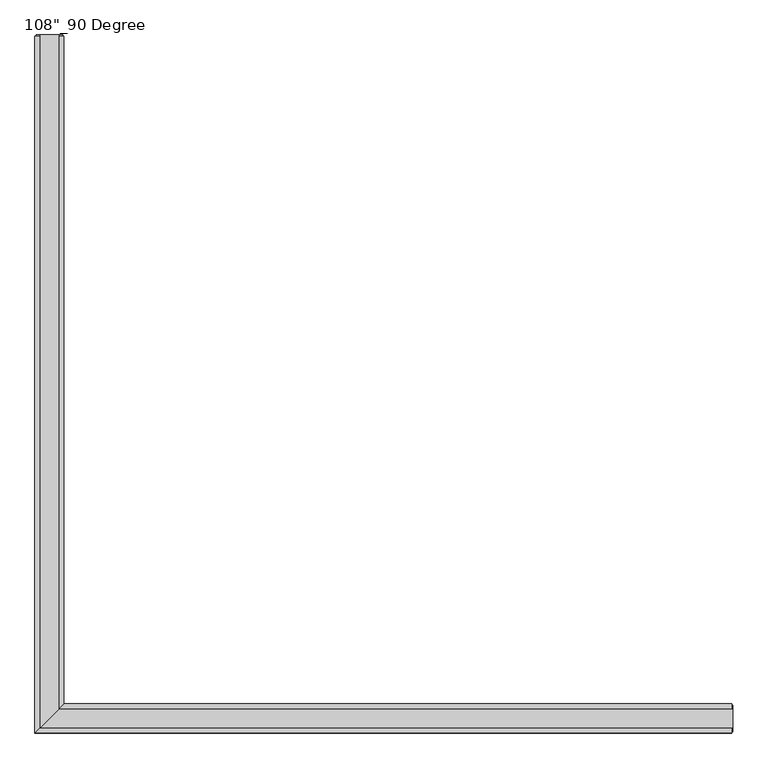
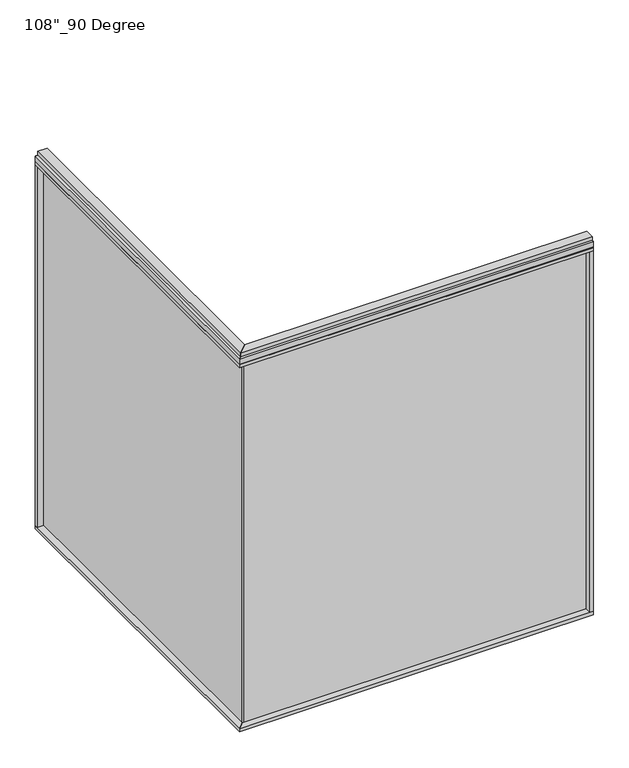
"""IFC4 building model written with IfcOpenShell, lengths in millimetres: furniture geometry."""

from ifc_helpers import new_model, si_unit, frame, origin, origin_with_axes, place, context, project, spatial, polyline, outline, extrude, faceted_brep, source, transform, mapped, element, save


def furniture_cb58a12c(model_context):
    return source(origin(), model_context, "Body", "SolidModel", [
        extrude(outline(polyline([(-1233.5165229, 2356.9202784), (-1223.3565229, 2356.9202784), (-1223.3565229, -9.5977216), (-1233.5165229, -9.5977216), (-1233.5165229, 2356.9202784)])), frame((0.0, 0.0, 31.75), z_axis=(0.0, 0.0, 1.0), x_axis=(1.0, 0.0, 0.0)), (0.0, 0.0, 1.0), 2622.55),
        extrude(outline(polyline([(-1177.6365229, 2379.1452784), (-1177.6365229, 46.2822784), (-1279.2365229, -55.3177216), (-1279.2365229, 2379.1452784), (-1177.6365229, 2379.1452784)])), frame((0.0, 0.0, 2654.3), z_axis=(0.0, 0.0, 1.0), x_axis=(1.0, 0.0, 0.0)), (0.0, 0.0, 1.0), 22.225),
        faceted_brep([(-1177.6365229, 46.2822784, 2681.478), (-1177.6365229, 46.2822784, 2717.8), (-1279.2365229, -55.3177216, 2717.8), (-1279.2365229, -55.3177216, 2681.478), (-1274.2835229, -50.3647216, 2681.478), (-1274.2835229, -50.3647216, 2676.525), (-1182.5895229, 41.3292784, 2676.525), (-1182.5895229, 41.3292784, 2681.478), (-1177.6365229, 2379.1452784, 2681.478), (-1182.5895229, 2379.1452784, 2681.478), (-1182.5895229, 2379.1452784, 2676.525), (-1274.2835229, 2379.1452784, 2676.525), (-1274.2835229, 2379.1452784, 2681.478), (-1279.2365229, 2379.1452784, 2681.478), (-1279.2365229, 2379.1452784, 2717.8), (-1177.6365229, 2379.1452784, 2717.8)], [[[0, 1, 2, 3, 4, 5, 6, 7]], [[8, 9, 10, 11, 12, 13, 14, 15]], [[8, 0, 7, 9]], [[13, 3, 2, 14]], [[14, 2, 1, 15]], [[15, 1, 0, 8]], [[9, 7, 6, 10]], [[10, 6, 5, 11]], [[11, 5, 4, 12]], [[12, 4, 3, 13]]]),
        extrude(outline(polyline([(-1195.9245229, 2383.0822784), (-1195.9245229, 27.9942784), (-1260.9485229, -37.0297216), (-1260.9485229, 2383.0822784), (-1195.9245229, 2383.0822784)])), frame((0.0, 0.0, 2717.8), z_axis=(0.0, 0.0, 1.0), x_axis=(1.0, 0.0, 0.0)), (0.0, 0.0, 1.0), 25.4),
        extrude(outline(polyline([(-1177.6365229, 2379.1452784), (-1177.6365229, 46.2822784), (-1279.2365229, -55.3177216), (-1279.2365229, 2379.1452784), (-1177.6365229, 2379.1452784)])), frame((0.0, 0.0, 9.525), z_axis=(0.0, 0.0, 1.0), x_axis=(1.0, 0.0, 0.0)), (0.0, 0.0, 1.0), 22.225),
        extrude(outline(polyline([(-1195.7340229, 2383.0822784), (-1195.7340229, 28.1847784), (-1261.1390229, -37.2202216), (-1261.1390229, 2383.0822784), (-1195.7340229, 2383.0822784)])), origin_with_axes(), (0.0, 0.0, 1.0), 9.525),
        extrude(outline(polyline([(-1279.2365229, 2356.9202784), (-1279.2365229, 2379.1452784), (-1177.6365229, 2379.1452784), (-1177.6365229, 2356.9202784), (-1279.2365229, 2356.9202784)])), frame((0.0, 0.0, 31.75), z_axis=(0.0, 0.0, 1.0), x_axis=(1.0, 0.0, 0.0)), (0.0, 0.0, 1.0), 2622.55),
        extrude(outline(polyline([(-1274.2835229, 2383.0822784), (-1182.5895229, 2383.0822784), (-1182.5895229, 2379.1452784), (-1274.2835229, 2379.1452784), (-1274.2835229, 2383.0822784)])), frame((0.0, 0.0, 9.525), z_axis=(0.0, 0.0, 1.0), x_axis=(1.0, 0.0, 0.0)), (0.0, 0.0, 1.0), 2708.275),
        extrude(outline(polyline([(1133.0014771, -9.5977216), (-1233.5165229, -9.5977216), (-1233.5165229, 0.5622784), (1133.0014771, 0.5622784), (1133.0014771, -9.5977216)])), frame((0.0, 0.0, 31.75), z_axis=(0.0, 0.0, 1.0), x_axis=(1.0, 0.0, 0.0)), (0.0, 0.0, 1.0), 2622.55),
        extrude(outline(polyline([(1155.2264771, 46.2822784), (1155.2264771, -55.3177216), (-1279.2365229, -55.3177216), (-1177.6365229, 46.2822784), (1155.2264771, 46.2822784)])), frame((0.0, 0.0, 2654.3), z_axis=(0.0, 0.0, 1.0), x_axis=(1.0, 0.0, 0.0)), (0.0, 0.0, 1.0), 22.225),
        faceted_brep([(-1177.6365229, 46.2822784, 2681.478), (-1182.5895229, 41.3292784, 2681.478), (-1182.5895229, 41.3292784, 2676.525), (-1274.2835229, -50.3647216, 2676.525), (-1274.2835229, -50.3647216, 2681.478), (-1279.2365229, -55.3177216, 2681.478), (-1279.2365229, -55.3177216, 2717.8), (-1177.6365229, 46.2822784, 2717.8), (1155.2264771, 46.2822784, 2681.478), (1155.2264771, 46.2822784, 2717.8), (1155.2264771, -55.3177216, 2717.8), (1155.2264771, -55.3177216, 2681.478), (1155.2264771, -50.3647216, 2681.478), (1155.2264771, -50.3647216, 2676.525), (1155.2264771, 41.3292784, 2676.525), (1155.2264771, 41.3292784, 2681.478)], [[[0, 1, 2, 3, 4, 5, 6, 7]], [[8, 9, 10, 11, 12, 13, 14, 15]], [[8, 15, 1, 0]], [[11, 10, 6, 5]], [[10, 9, 7, 6]], [[9, 8, 0, 7]], [[15, 14, 2, 1]], [[14, 13, 3, 2]], [[13, 12, 4, 3]], [[12, 11, 5, 4]]]),
        extrude(outline(polyline([(1159.1634771, 27.9942784), (1159.1634771, -37.0297216), (-1260.9485229, -37.0297216), (-1195.9245229, 27.9942784), (1159.1634771, 27.9942784)])), frame((0.0, 0.0, 2717.8), z_axis=(0.0, 0.0, 1.0), x_axis=(1.0, 0.0, 0.0)), (0.0, 0.0, 1.0), 25.4),
        extrude(outline(polyline([(1155.2264771, 46.2822784), (1155.2264771, -55.3177216), (-1279.2365229, -55.3177216), (-1177.6365229, 46.2822784), (1155.2264771, 46.2822784)])), frame((0.0, 0.0, 9.525), z_axis=(0.0, 0.0, 1.0), x_axis=(1.0, 0.0, 0.0)), (0.0, 0.0, 1.0), 22.225),
        extrude(outline(polyline([(1159.1634771, 28.1847784), (1159.1634771, -37.2202216), (-1261.1390229, -37.2202216), (-1195.7340229, 28.1847784), (1159.1634771, 28.1847784)])), origin_with_axes(), (0.0, 0.0, 1.0), 9.525),
        extrude(outline(polyline([(1133.0014771, -55.3177216), (1133.0014771, 46.2822784), (1155.2264771, 46.2822784), (1155.2264771, -55.3177216), (1133.0014771, -55.3177216)])), frame((0.0, 0.0, 31.75), z_axis=(0.0, 0.0, 1.0), x_axis=(1.0, 0.0, 0.0)), (0.0, 0.0, 1.0), 2622.55),
        extrude(outline(polyline([(1159.1634771, -50.3647216), (1155.2264771, -50.3647216), (1155.2264771, 41.3292784), (1159.1634771, 41.3292784), (1159.1634771, -50.3647216)])), frame((0.0, 0.0, 9.525), z_axis=(0.0, 0.0, 1.0), x_axis=(1.0, 0.0, 0.0)), (0.0, 0.0, 1.0), 2708.275),
    ])


if __name__ == "__main__":
    model = new_model("IFC4")
    model_context = context("Model", 3, world=origin())
    ifc_project = project(units=[si_unit("LENGTHUNIT", "METRE", prefix="MILLI")], contexts=[model_context])
    site = spatial("IfcSite", under=ifc_project)
    building = spatial("IfcBuilding", under=site)
    placement = place(None, origin())
    furniture_shape = furniture_cb58a12c(model_context)
    element("IfcFurniture", 1, ObjectType="108\"_90 Degree", at=placement, inside=building, context=model_context, shape_type="MappedRepresentation", body=[
        mapped(furniture_shape, transform((0.0, 0.0, 0.0), x_axis=(1.0, 0.0, 0.0), y_axis=(0.0, 1.0, 0.0), z_axis=(0.0, 0.0, 1.0))),
    ])
    save(model, "model.ifc")
